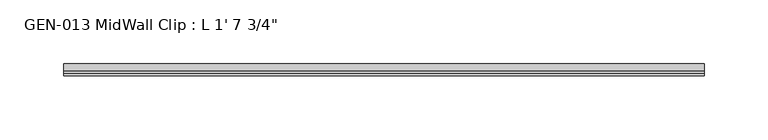
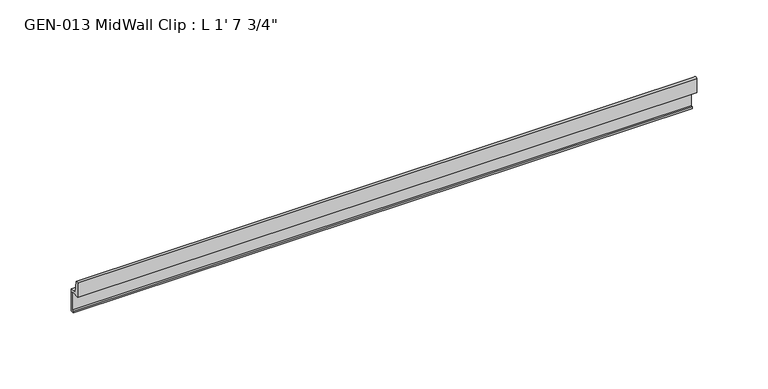
"""IFC4 building model written with IfcOpenShell, lengths in millimetres: proxy geometry."""

from ifc_helpers import new_model, si_unit, point, frame, frame_2d, origin, place, context, project, spatial, polyline, circle_curve, trimmed, segment, composite_curve, outline, extrude, source, transform, mapped, element, save


def proxy_192d6fad(model_context):
    return source(origin(), model_context, "Body", "SweptSolid", [
        extrude(outline(composite_curve([segment(trimmed(circle_curve(frame_2d((1.9177, 1.1238237)), 1.27), [point((3.1877, 1.1238237))], [point((1.9177, 2.3938237))], True, "CARTESIAN"), True, "CONTINUOUS"), segment(polyline([(1.9177, 2.3938237), (-4.7625, 2.3938237), (-4.7625, 14.4786268)]), True, "CONTINUOUS"), segment(trimmed(circle_curve(frame_2d((-3.5698235, 13.3878692)), 1.6162393), [point((-4.7625, 14.4786268))], [point((-2.4411308, 14.5447106))], False, "CARTESIAN"), True, "CONTINUOUS"), segment(polyline([(-2.4411308, 14.5447106), (-0.630157, 3.9686237), (4.7625, 3.9686237), (4.7625, -15.0559763), (1.6129, -15.0559763), (1.6129, -13.4811763), (3.1877, -13.4811763), (3.1877, 1.1238237)]), True, "CONTINUOUS")], self_intersect=False)), frame((0.0, 0.0, 0.0), z_axis=(1.0, 0.0, 0.0), x_axis=(0.0, 1.0, 0.0)), (0.0, 0.0, 1.0), 501.65),
    ])


if __name__ == "__main__":
    model = new_model("IFC4")
    model_context = context("Model", 3, world=origin())
    ifc_project = project(units=[si_unit("LENGTHUNIT", "METRE", prefix="MILLI")], contexts=[model_context])
    site = spatial("IfcSite", under=ifc_project)
    building = spatial("IfcBuilding", under=site)
    placement = place(None, origin())
    proxy_shape = proxy_192d6fad(model_context)
    element("IfcBuildingElementProxy", 1, Name="GEN-013 MidWall Clip : L 1' 7 3/4\"", ObjectType="GEN-013 MidWall Clip : L 1' 7 3/4\"", at=placement, inside=building, context=model_context, shape_type="MappedRepresentation", body=[
        mapped(proxy_shape, transform((0.0, 0.0, 0.0), x_axis=(1.0, 0.0, 0.0), y_axis=(0.0, 1.0, 0.0), z_axis=(0.0, 0.0, 1.0))),
    ])
    save(model, "model.ifc")
